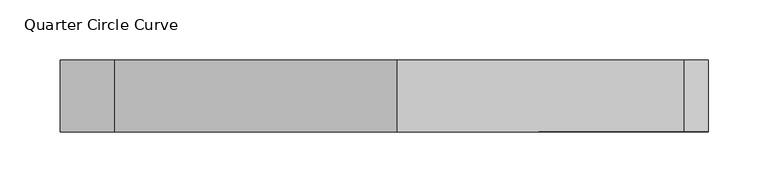
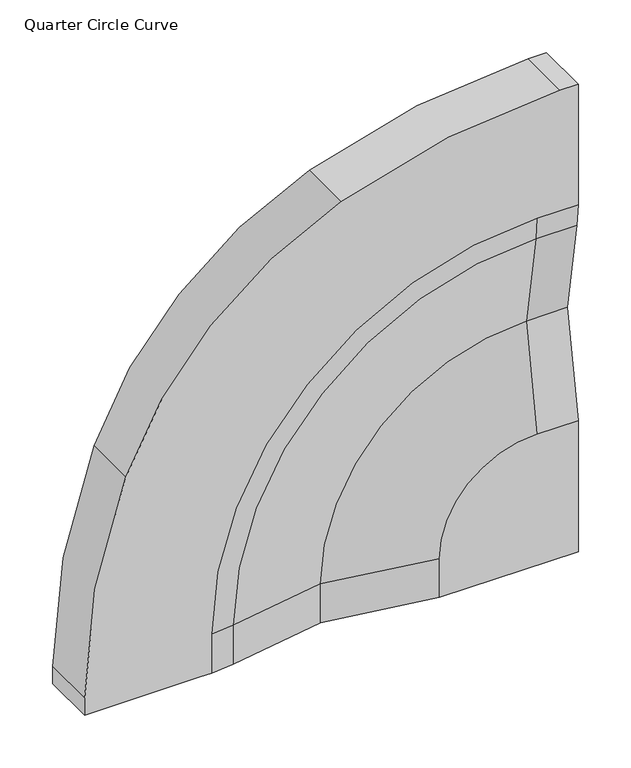
"""IFC4 building model written with IfcOpenShell, lengths in millimetres: furniture geometry, Quarter Circle Curve."""

from ifc_helpers import new_model, si_unit, point, frame, origin, place, context, project, spatial, polyline, circle_curve, ellipse_curve, trimmed, source, transform, mapped, element, save
from ifc_brep_helpers import plane_surface, cylinder_surface, revolved_surface, advanced_brep


def quarter_circle_curve_9037198d(model_context):
    return source(origin(), model_context, "Body", "AdvancedBrep", [
        advanced_brep(
        [(118.5203808, -60.0, 1500.0), (270.0, -60.0, 1500.0), (270.0, -60.0, 1651.4796192), (225.0, -60.0, 1651.4796192), (118.5203808, -60.0, 1545.0), (-270.0, -60.0, 1500.0), (-145.0, -60.0, 1500.0), (-131.0875949, -60.0, 1500.0), (-131.0875949, -60.0, 1545.0), (225.0, -60.0, 1901.0875949), (270.0, -60.0, 1901.0875949), (270.0, -60.0, 1915.0), (270.0, -60.0, 2040.0), (250.2887948, -60.0, 2040.0), (10.5991139, -60.0, 1994.9355419), (-224.9355419, -60.0, 1759.4008861), (-270.0, -60.0, 1519.7112052), (270.0, 0.0, 2040.0), (270.0, 0.0, 1500.0), (-270.0, 0.0, 1500.0), (-270.0, 0.0, 1519.7112052), (-224.9355419, 0.0, 1759.4008861), (10.5991139, 0.0, 1994.9355419), (250.2887948, 0.0, 2040.0), (0.0, -40.0, 1500.0), (-106.1283636, -57.90888, 1500.0), (270.0, -57.90888, 1876.1283636), (270.0, -40.0, 1770.0), (0.0, -40.0, 1545.0), (225.0, -40.0, 1770.0), (-106.1283636, -57.90888, 1545.0), (225.0, -57.90888, 1876.1283636)],
        [
            (0, 1),
            (1, 2),
            (2, 3),
            (3, 4, circle_curve(frame((225.0, -60.0, 1545.0), z_axis=(0.0, -1.0, 0.0), x_axis=(-1.0, 0.0, 0.0)), 106.4796192)),
            (4, 0),
            (5, 6),
            (6, 7),
            (7, 8),
            (8, 9, circle_curve(frame((225.0, -60.0, 1545.0), z_axis=(0.0, 1.0, 0.0), x_axis=(-1.0, 0.0, 0.0)), 356.0875949)),
            (9, 10),
            (10, 11),
            (11, 12),
            (12, 13),
            (13, 14, circle_curve(frame((250.2887948, -60.0, 1380.0347968), z_axis=(0.0, -1.0, 0.0), x_axis=(1.0, 0.0, 0.0)), 659.9652032)),
            (14, 15, circle_curve(frame((161.0616985, -60.0, 1608.9383015), z_axis=(0.0, -1.0, 0.0), x_axis=(1.0, 0.0, 0.0)), 414.2859628)),
            (15, 16, circle_curve(frame((389.9652032, -60.0, 1519.7112052), z_axis=(0.0, -1.0, 0.0), x_axis=(1.0, 0.0, 0.0)), 659.9652032)),
            (16, 5),
            (17, 18),
            (18, 19),
            (19, 20),
            (20, 21, circle_curve(frame((389.9652032, 0.0, 1519.7112052), z_axis=(0.0, 1.0, 0.0), x_axis=(1.0, 0.0, 0.0)), 659.9652032)),
            (21, 22, circle_curve(frame((161.0616985, 0.0, 1608.9383015), z_axis=(0.0, 1.0, 0.0), x_axis=(1.0, 0.0, 0.0)), 414.2859628)),
            (22, 23, circle_curve(frame((250.2887948, 0.0, 1380.0347968), z_axis=(0.0, 1.0, 0.0), x_axis=(1.0, 0.0, 0.0)), 659.9652032)),
            (23, 17),
            (12, 17),
            (23, 13),
            (19, 5),
            (16, 20),
            (18, 1),
            (0, 24),
            (24, 25),
            (25, 7, circle_curve(frame((-131.0875949, 90.0, 1500.0), z_axis=(0.0, 0.0, -1.0), x_axis=(-1.0, 0.0, 0.0)), 150.0)),
            (10, 26, circle_curve(frame((270.0, 90.0, 1901.0875949), z_axis=(1.0, 0.0, 0.0), x_axis=(0.0, 0.0, 1.0)), 150.0)),
            (26, 27),
            (27, 2),
            (28, 24),
            (4, 28),
            (29, 28, circle_curve(frame((225.0, -40.0, 1545.0), z_axis=(0.0, -1.0, 0.0), x_axis=(-1.0, 0.0, 0.0)), 225.0)),
            (3, 29),
            (27, 29),
            (15, 21),
            (14, 22),
            (25, 30),
            (30, 8, circle_curve(frame((-131.0875949, 90.0, 1545.0), z_axis=(0.0, 0.0, -1.0), x_axis=(-1.0, 0.0, 0.0)), 150.0)),
            (28, 30),
            (30, 31, circle_curve(frame((225.0, -57.90888, 1545.0), z_axis=(0.0, 1.0, 0.0), x_axis=(-1.0, 0.0, 0.0)), 331.1283636)),
            (31, 9, circle_curve(frame((225.0, 90.0, 1901.0875949), z_axis=(-1.0, 0.0, 0.0), x_axis=(0.0, 0.0, 1.0)), 150.0)),
            (29, 31),
            (31, 26),
        ],
        [
            plane_surface(frame((-270.0, -60.0, 2040.0), z_axis=(0.0, -1.0, 0.0), x_axis=(-1.0, 0.0, 0.0))),
            plane_surface(frame((-270.0, 0.0, 2040.0), z_axis=(0.0, 1.0, 0.0), x_axis=(1.0, 0.0, 0.0))),
            plane_surface(frame((270.0, -60.0, 2040.0), z_axis=(0.0, 0.0, 1.0), x_axis=(0.0, 1.0, 0.0))),
            plane_surface(frame((-270.0, -60.0, 2040.0), z_axis=(-1.0, 0.0, 0.0), x_axis=(0.0, 1.0, 0.0))),
            plane_surface(frame((-270.0, -60.0, 1500.0), z_axis=(0.0, 0.0, -1.0), x_axis=(0.0, 1.0, 0.0))),
            plane_surface(frame((270.0, -60.0, 1500.0), z_axis=(1.0, 0.0, 0.0), x_axis=(0.0, 1.0, 0.0))),
            plane_surface(frame((0.0, -40.0, 1500.0), z_axis=(-0.1663948754508185, -0.9860591997561337, 0.0), x_axis=(0.0, 0.0, 1.0))),
            revolved_surface(polyline([(120.0, -60.2496818, 1545.0), (0.0, -40.0, 1545.0)]), (225.0, -60.0, 1545.0), (0.0, 1.0, 0.0)),
            plane_surface(frame((225.0, -40.0, 1770.0), z_axis=(0.0, -0.9860591997561331, 0.16639487545082166), x_axis=(1.0, 0.0, 0.0))),
            cylinder_surface(frame((389.9652032, 0.0, 1519.7112052), z_axis=(0.0, 1.0, 0.0), x_axis=(1.0, 0.0, 0.0)), 659.9652032),
            cylinder_surface(frame((161.0616985, 0.0, 1608.9383015), z_axis=(0.0, 1.0, 0.0), x_axis=(1.0, 0.0, 0.0)), 414.2859628),
            cylinder_surface(frame((250.2887948, 0.0, 1380.0347968), z_axis=(0.0, 1.0, 0.0), x_axis=(1.0, 0.0, 0.0)), 659.9652032),
            cylinder_surface(frame((-131.0875949, 90.0, 1500.0), z_axis=(0.0, 0.0, 1.0), x_axis=(-1.0, 0.0, 0.0)), 150.0),
            plane_surface(frame((-106.1283636, -57.90888, 1500.0), z_axis=(0.16639487545078646, -0.9860591997561391, 0.0), x_axis=(0.0, 0.0, 1.0))),
            revolved_surface(trimmed(ellipse_curve(frame((-131.0875949, 90.0, 1545.0), z_axis=(0.0, 0.0, -1.0), x_axis=(-1.0, 0.0, 0.0)), 150.0, 150.0), [point((-106.1283636, -57.90888, 1545.0))], [point((-131.0875949, -60.0, 1545.0))], True, "CARTESIAN"), (225.0, -60.0, 1545.0), (0.0, 1.0, 0.0)),
            revolved_surface(polyline([(0.0, -40.0, 1545.0), (-106.1283636, -57.90888, 1545.0)]), (225.0, -60.0, 1545.0), (0.0, 1.0, 0.0)),
            cylinder_surface(frame((225.0, 90.0, 1901.0875949), z_axis=(1.0, 0.0, 0.0), x_axis=(0.0, 0.0, 1.0)), 150.0),
            plane_surface(frame((225.0, -57.90888, 1876.1283636), z_axis=(0.0, -0.9860591997561396, -0.1663948754507833), x_axis=(1.0, 0.0, 0.0))),
        ],
        [
            (0, [[1, 2, 3, 4, 5]]),
            (0, [[6, 7, 8, 9, 10, 11, 12, 13, 14, 15, 16, 17]]),
            (1, [[18, 19, 20, 21, 22, 23, 24]]),
            (2, [[25, -24, 26, -13]]),
            (3, [[27, -17, 28, -20]]),
            (4, [[-19, 29, -1, 30, 31, 32, -7, -6, -27]]),
            (5, [[-18, -25, -12, -11, 33, 34, 35, -2, -29]]),
            (6, [[36, -30, -5, 37]]),
            (7, [[38, -37, -4, 39]]),
            (8, [[40, -39, -3, -35]]),
            (9, [[41, -21, -28, -16]]),
            (10, [[-41, -15, 42, -22]]),
            (11, [[-42, -14, -26, -23]]),
            (12, [[43, 44, -8, -32]]),
            (13, [[-36, 45, -43, -31]]),
            (14, [[-44, 46, 47, -9]]),
            (15, [[-38, 48, -46, -45]]),
            (16, [[-47, 49, -33, -10]]),
            (17, [[-40, -34, -49, -48]]),
        ],
    ),
    ])


if __name__ == "__main__":
    model = new_model("IFC4")
    model_context = context("Model", 3, world=origin())
    ifc_project = project(units=[si_unit("LENGTHUNIT", "METRE", prefix="MILLI")], contexts=[model_context])
    site = spatial("IfcSite", under=ifc_project)
    building = spatial("IfcBuilding", under=site)
    placement = place(None, origin())
    quarter_circle_curve_shape = quarter_circle_curve_9037198d(model_context)
    element("IfcFurniture", 1, ObjectType="Quarter Circle Curve", at=placement, inside=building, context=model_context, shape_type="MappedRepresentation", body=[
        mapped(quarter_circle_curve_shape, transform((0.0, 0.0, 0.0), x_axis=(1.0, 0.0, 0.0), y_axis=(0.0, 1.0, 0.0), z_axis=(0.0, 0.0, 1.0))),
    ])
    save(model, "model.ifc")
